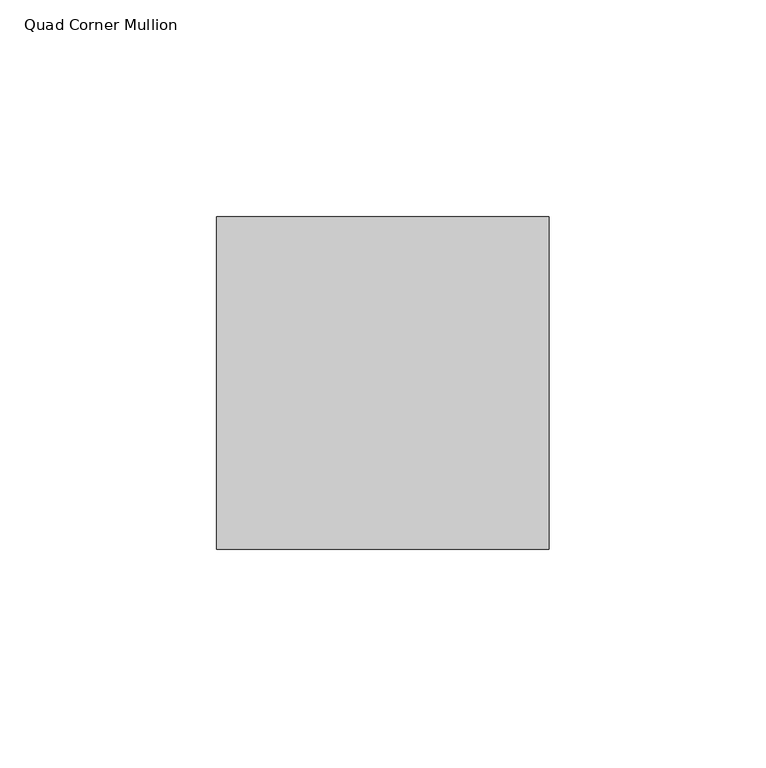
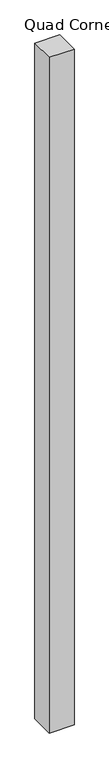
"""IFC4 building model written with IfcOpenShell, lengths in millimetres: member geometry, Quad Corner Mullion."""

from ifc_helpers import new_model, si_unit, frame, origin, place, context, project, spatial, polyline, outline, extrude, source, transform, mapped, element, save


def quad_corner_mullion_a734e862(model_context):
    return source(origin(), model_context, "Body", "SweptSolid", [
        extrude(outline(polyline([(38.1496094, -38.5464844), (-38.5464844, -38.5464844), (-38.5464844, 38.1496094), (38.1496094, 38.1496094), (38.1496094, -38.5464844)])), frame((0.0, 0.0, -2209.3326946), z_axis=(0.0, 0.0, 1.0), x_axis=(1.0, 0.0, 0.0)), (0.0, 0.0, 1.0), 2209.3326946),
    ])


if __name__ == "__main__":
    model = new_model("IFC4")
    model_context = context("Model", 3, world=origin())
    ifc_project = project(units=[si_unit("LENGTHUNIT", "METRE", prefix="MILLI")], contexts=[model_context])
    site = spatial("IfcSite", under=ifc_project)
    building = spatial("IfcBuilding", under=site)
    placement = place(None, origin())
    quad_corner_mullion_shape = quad_corner_mullion_a734e862(model_context)
    element("IfcMember", 1, ObjectType="Quad Corner Mullion", at=placement, inside=building, context=model_context, shape_type="MappedRepresentation", body=[
        mapped(quad_corner_mullion_shape, transform((0.0, 0.0, 0.0), x_axis=(1.0, 0.0, 0.0), y_axis=(0.0, 1.0, 0.0), z_axis=(0.0, 0.0, 1.0))),
    ])
    save(model, "model.ifc")
